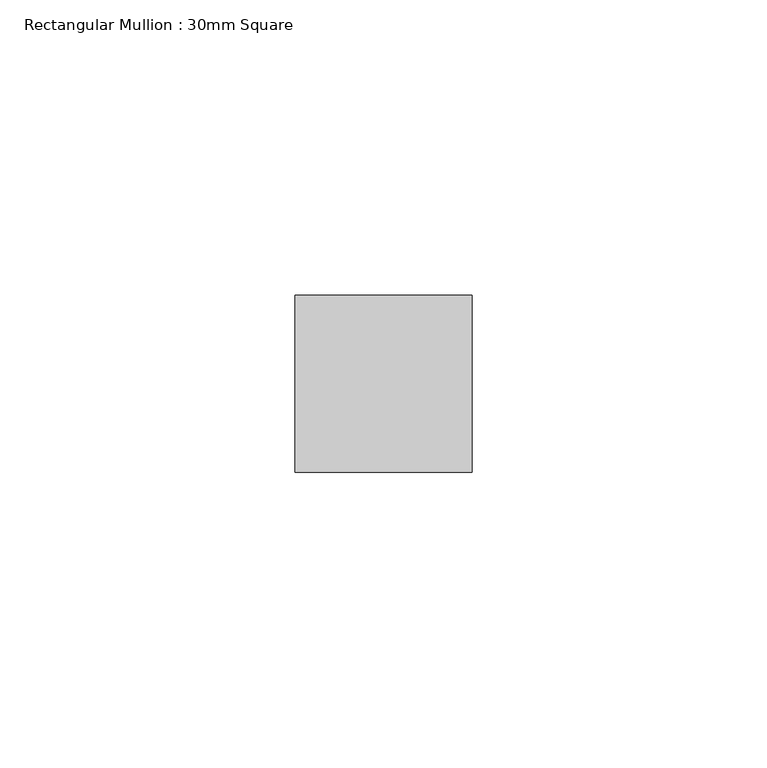
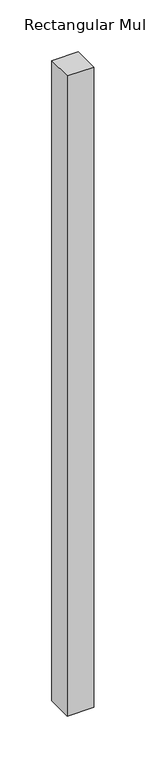
"""IFC4 building model written with IfcOpenShell, lengths in millimetres: member geometry, Rectangular Mullion : 30mm Square."""

from ifc_helpers import new_model, si_unit, frame, origin, place, context, project, spatial, polyline, outline, extrude, source, transform, mapped, element, save


def rectangular_mullion_30mm_square_8d35aaf0(model_context):
    return source(origin(), model_context, "Body", "SweptSolid", [
        extrude(outline(polyline([(15.0, 15.0), (15.0, -15.0), (-15.0, -15.0), (-15.0, 15.0), (15.0, 15.0)])), frame((0.0, 0.0, -757.3076815), z_axis=(0.0, 0.0, 1.0), x_axis=(1.0, 0.0, 0.0)), (0.0, 0.0, 1.0), 757.3076815),
    ])


if __name__ == "__main__":
    model = new_model("IFC4")
    model_context = context("Model", 3, world=origin())
    ifc_project = project(units=[si_unit("LENGTHUNIT", "METRE", prefix="MILLI")], contexts=[model_context])
    site = spatial("IfcSite", under=ifc_project)
    building = spatial("IfcBuilding", under=site)
    placement = place(None, origin())
    rectangular_mullion_30mm_square_shape = rectangular_mullion_30mm_square_8d35aaf0(model_context)
    element("IfcMember", 1, ObjectType="Rectangular Mullion : 30mm Square", at=placement, inside=building, context=model_context, shape_type="MappedRepresentation", body=[
        mapped(rectangular_mullion_30mm_square_shape, transform((0.0, 0.0, 0.0), x_axis=(1.0, 0.0, 0.0), y_axis=(0.0, 1.0, 0.0), z_axis=(0.0, 0.0, 1.0))),
    ])
    save(model, "model.ifc")
